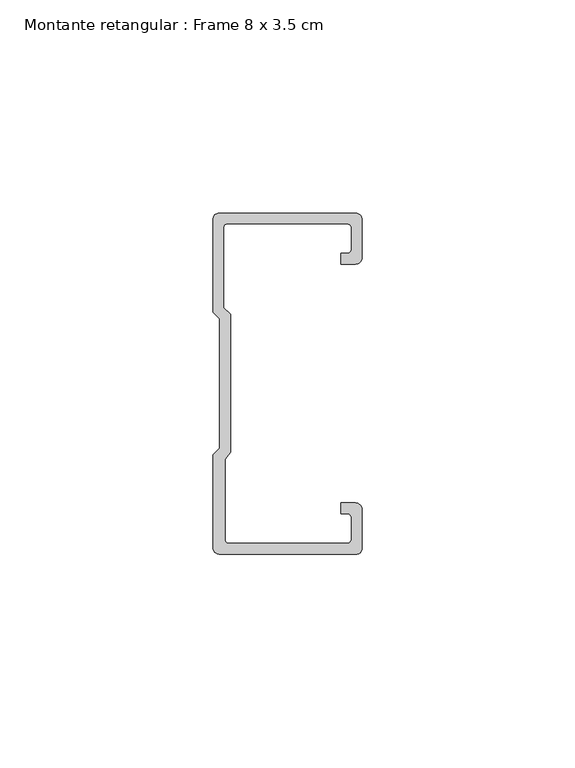
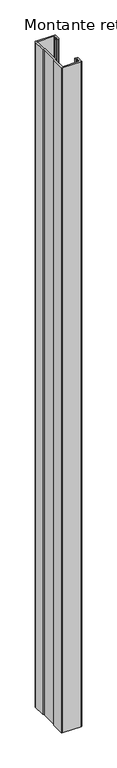
"""IFC4 building model written with IfcOpenShell, lengths in millimetres: member geometry, Montante retangular : Frame 8 x 3.5 cm."""

from ifc_helpers import new_model, si_unit, point, frame, frame_2d, origin, place, context, project, spatial, polyline, circle_curve, trimmed, segment, composite_curve, outline, extrude, source, transform, mapped, element, save


def montante_retangular_frame_8_x_3_5_cm_16bc11d0(model_context):
    return source(origin(), model_context, "Body", "SweptSolid", [
        extrude(outline(composite_curve([segment(trimmed(circle_curve(frame_2d((-1.5, 29.5276505)), 1.5), [point((0.0, 29.5276505))], [point((-1.5, 28.0276505))], False, "CARTESIAN"), True, "CONTINUOUS"), segment(polyline([(-1.5, 28.0276505), (-4.9837744, 28.0276505), (-4.9837744, 30.5276505), (-3.5, 30.5276505)]), True, "CONTINUOUS"), segment(trimmed(circle_curve(frame_2d((-3.5, 31.5276505)), 1.0), [point((-3.5, 30.5276505))], [point((-2.5, 31.5276505))], True, "CARTESIAN"), True, "CONTINUOUS"), segment(polyline([(-2.5, 31.5276505), (-2.5, 36.5)]), True, "CONTINUOUS"), segment(trimmed(circle_curve(frame_2d((-3.5, 36.5)), 1.0), [point((-2.5, 36.5))], [point((-3.5, 37.5))], True, "CARTESIAN"), True, "CONTINUOUS"), segment(polyline([(-3.5, 37.5), (-31.5, 37.5)]), True, "CONTINUOUS"), segment(trimmed(circle_curve(frame_2d((-31.5, 36.5)), 1.0), [point((-31.5, 37.5))], [point((-32.5, 36.5))], True, "CARTESIAN"), True, "CONTINUOUS"), segment(polyline([(-32.5, 36.5), (-32.5, 17.7978001), (-30.9122869, 16.2100869), (-30.9122869, -16.1794816), (-32.192786, -17.7671948), (-32.192786, -36.5)]), True, "CONTINUOUS"), segment(trimmed(circle_curve(frame_2d((-31.192786, -36.5)), 1.0), [point((-32.192786, -36.5))], [point((-31.192786, -37.5))], True, "CARTESIAN"), True, "CONTINUOUS"), segment(polyline([(-31.192786, -37.5), (-3.5, -37.5)]), True, "CONTINUOUS"), segment(trimmed(circle_curve(frame_2d((-3.5, -36.5)), 1.0), [point((-3.5, -37.5))], [point((-2.5, -36.5))], True, "CARTESIAN"), True, "CONTINUOUS"), segment(polyline([(-2.5, -36.5), (-2.5, -31.5276505)]), True, "CONTINUOUS"), segment(trimmed(circle_curve(frame_2d((-3.5, -31.5276505)), 1.0), [point((-2.5, -31.5276505))], [point((-3.5, -30.5276505))], True, "CARTESIAN"), True, "CONTINUOUS"), segment(polyline([(-3.5, -30.5276505), (-4.9837744, -30.5276505), (-4.9837744, -28.0276505), (-1.5, -28.0276505)]), True, "CONTINUOUS"), segment(trimmed(circle_curve(frame_2d((-1.5, -29.5276505)), 1.5), [point((-1.5, -28.0276505))], [point((0.0, -29.5276505))], False, "CARTESIAN"), True, "CONTINUOUS"), segment(polyline([(0.0, -29.5276505), (0.0, -38.8171833)]), True, "CONTINUOUS"), segment(trimmed(circle_curve(frame_2d((-1.1828167, -38.8171833)), 1.1828167), [point((0.0, -38.8171833))], [point((-1.1828167, -40.0))], False, "CARTESIAN"), True, "CONTINUOUS"), segment(polyline([(-1.1828167, -40.0), (-33.5, -40.0)]), True, "CONTINUOUS"), segment(trimmed(circle_curve(frame_2d((-33.5, -38.5)), 1.5), [point((-33.5, -40.0))], [point((-35.0, -38.5))], False, "CARTESIAN"), True, "CONTINUOUS"), segment(polyline([(-35.0, -38.5), (-35.0, -16.7622662), (-33.4122869, -15.174553), (-33.4122869, 15.174553), (-35.0, 16.7622662), (-35.0, 38.5)]), True, "CONTINUOUS"), segment(trimmed(circle_curve(frame_2d((-33.5, 38.5)), 1.5), [point((-35.0, 38.5))], [point((-33.5, 40.0))], False, "CARTESIAN"), True, "CONTINUOUS"), segment(polyline([(-33.5, 40.0), (-1.5, 40.0)]), True, "CONTINUOUS"), segment(trimmed(circle_curve(frame_2d((-1.5, 38.5)), 1.5), [point((-1.5, 40.0))], [point((0.0, 38.5))], False, "CARTESIAN"), True, "CONTINUOUS"), segment(polyline([(0.0, 38.5), (0.0, 29.5276505)]), True, "CONTINUOUS")], self_intersect=False)), frame((0.0, 0.0, -1217.5), z_axis=(0.0, 0.0, 1.0), x_axis=(1.0, 0.0, 0.0)), (0.0, 0.0, 1.0), 1217.5),
    ])


if __name__ == "__main__":
    model = new_model("IFC4")
    model_context = context("Model", 3, world=origin())
    ifc_project = project(units=[si_unit("LENGTHUNIT", "METRE", prefix="MILLI")], contexts=[model_context])
    site = spatial("IfcSite", under=ifc_project)
    building = spatial("IfcBuilding", under=site)
    placement = place(None, origin())
    montante_retangular_frame_8_x_3_5_cm_shape = montante_retangular_frame_8_x_3_5_cm_16bc11d0(model_context)
    element("IfcMember", 1, ObjectType="Montante retangular : Frame 8 x 3.5 cm", at=placement, inside=building, context=model_context, shape_type="MappedRepresentation", body=[
        mapped(montante_retangular_frame_8_x_3_5_cm_shape, transform((0.0, 0.0, 0.0), x_axis=(1.0, 0.0, 0.0), y_axis=(0.0, 1.0, 0.0), z_axis=(0.0, 0.0, 1.0))),
    ])
    save(model, "model.ifc")
